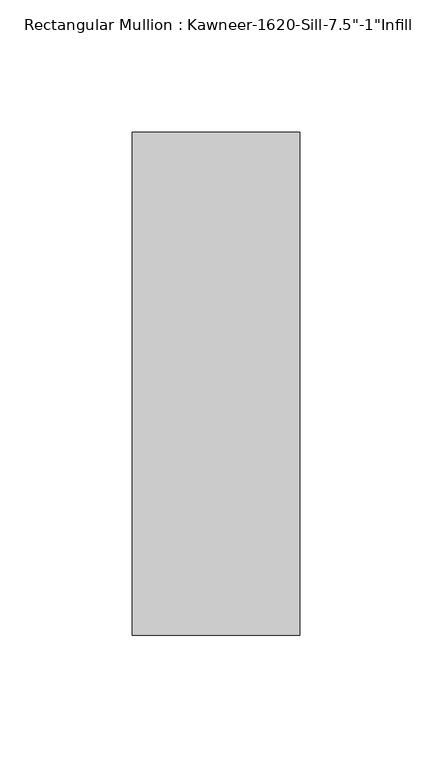
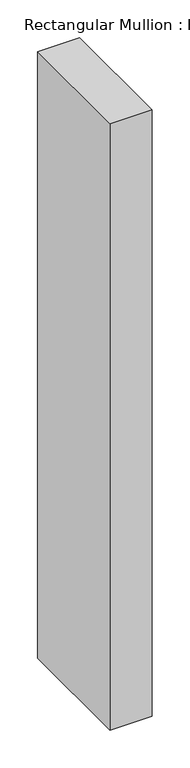
"""IFC4 building model written with IfcOpenShell, lengths in millimetres: member geometry."""

from ifc_helpers import new_model, si_unit, frame, origin, place, context, project, spatial, polyline, outline, extrude, source, transform, mapped, element, save


def member_b0ce32cb(model_context):
    return source(origin(), model_context, "Body", "SweptSolid", [
        extrude(outline(polyline([(-63.5, 38.1), (0.0, 38.1), (0.0, -152.4), (-63.5, -152.4), (-63.5, 38.1)])), frame((0.0, 0.0, -974.725), z_axis=(0.0, 0.0, 1.0), x_axis=(1.0, 0.0, 0.0)), (0.0, 0.0, 1.0), 974.725),
    ])


if __name__ == "__main__":
    model = new_model("IFC4")
    model_context = context("Model", 3, world=origin())
    ifc_project = project(units=[si_unit("LENGTHUNIT", "METRE", prefix="MILLI")], contexts=[model_context])
    site = spatial("IfcSite", under=ifc_project)
    building = spatial("IfcBuilding", under=site)
    placement = place(None, origin())
    member_shape = member_b0ce32cb(model_context)
    element("IfcMember", 1, ObjectType="Rectangular Mullion : Kawneer-1620-Sill-7.5\"-1\"Infill", at=placement, inside=building, context=model_context, shape_type="MappedRepresentation", body=[
        mapped(member_shape, transform((0.0, 0.0, 0.0), x_axis=(1.0, 0.0, 0.0), y_axis=(0.0, 1.0, 0.0), z_axis=(0.0, 0.0, 1.0))),
    ])
    save(model, "model.ifc")
